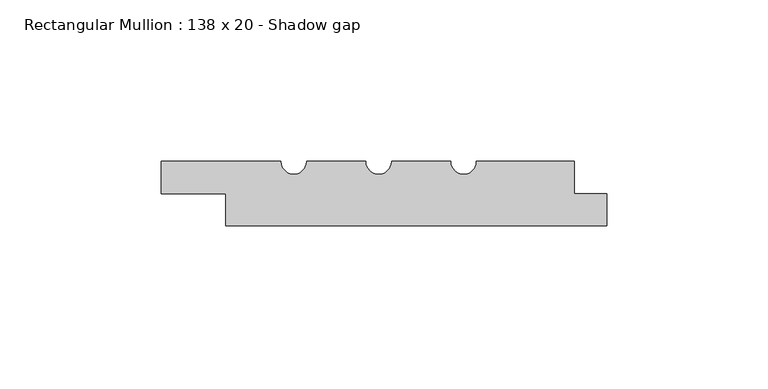
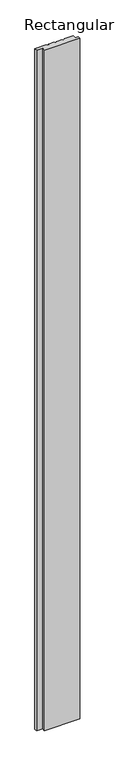
"""IFC4 building model written with IfcOpenShell, lengths in millimetres: member geometry, Rectangular Mullion : 138 x 20 - Shadow gap."""

from ifc_helpers import new_model, si_unit, point, frame, frame_2d, origin, place, context, project, spatial, polyline, circle_curve, trimmed, segment, composite_curve, outline, extrude, source, transform, mapped, element, save


def rectangular_mullion_138_x_20_shadow_gap_0484c4af(model_context):
    return source(origin(), model_context, "Body", "SweptSolid", [
        extrude(outline(composite_curve([segment(polyline([(-40.3418977, 0.0), (-10.0, 0.0), (-10.0, -10.0), (0.0, -10.0), (0.0, -20.0), (-118.0, -20.0), (-118.0, -10.0), (-138.0, -10.0), (-138.0, 0.0), (-101.0, 0.0)]), True, "CONTINUOUS"), segment(trimmed(circle_curve(frame_2d((-97.0, 0.0)), 4.0), [point((-101.0, 0.0))], [point((-93.0, 0.0))], True, "CARTESIAN"), True, "CONTINUOUS"), segment(polyline([(-93.0, 0.0), (-74.6755708, 0.0)]), True, "CONTINUOUS"), segment(trimmed(circle_curve(frame_2d((-70.6755708, 0.0)), 4.0), [point((-74.6755708, 0.0))], [point((-66.6755708, 0.0))], True, "CARTESIAN"), True, "CONTINUOUS"), segment(polyline([(-66.6755708, 0.0), (-48.3418977, 0.0)]), True, "CONTINUOUS"), segment(trimmed(circle_curve(frame_2d((-44.3418977, 0.0)), 4.0), [point((-48.3418977, 0.0))], [point((-40.3418977, 0.0))], True, "CARTESIAN"), True, "CONTINUOUS")], self_intersect=False)), frame((0.0, 0.0, -2400.0), z_axis=(0.0, 0.0, 1.0), x_axis=(1.0, 0.0, 0.0)), (0.0, 0.0, 1.0), 2400.0),
    ])


if __name__ == "__main__":
    model = new_model("IFC4")
    model_context = context("Model", 3, world=origin())
    ifc_project = project(units=[si_unit("LENGTHUNIT", "METRE", prefix="MILLI")], contexts=[model_context])
    site = spatial("IfcSite", under=ifc_project)
    building = spatial("IfcBuilding", under=site)
    placement = place(None, origin())
    rectangular_mullion_138_x_20_shadow_gap_shape = rectangular_mullion_138_x_20_shadow_gap_0484c4af(model_context)
    element("IfcMember", 1, ObjectType="Rectangular Mullion : 138 x 20 - Shadow gap", at=placement, inside=building, context=model_context, shape_type="MappedRepresentation", body=[
        mapped(rectangular_mullion_138_x_20_shadow_gap_shape, transform((0.0, 0.0, 0.0), x_axis=(1.0, 0.0, 0.0), y_axis=(0.0, 1.0, 0.0), z_axis=(0.0, 0.0, 1.0))),
    ])
    save(model, "model.ifc")
